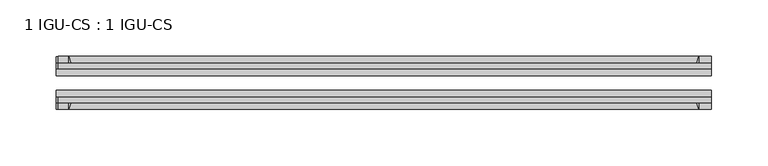
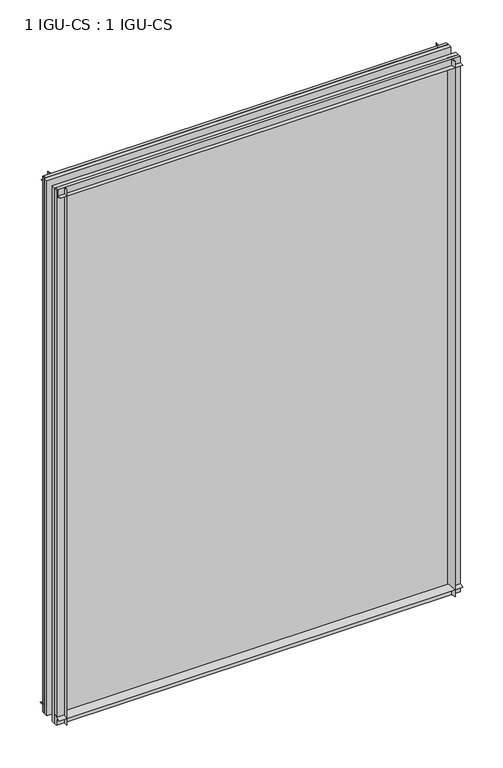
"""IFC4 building model written with IfcOpenShell, lengths in millimetres: plate geometry, 1 IGU-CS : 1 IGU-CS."""

from ifc_helpers import new_model, si_unit, point, frame, frame_2d, origin, place, context, project, spatial, polyline, circle_curve, trimmed, segment, composite_curve, outline, extrude, source, transform, mapped, element, save


def plate_1_igu_cs_1_igu_cs_40d52250(model_context):
    return source(origin(), model_context, "Body", "SweptSolid", [
        extrude(outline(composite_curve([segment(polyline([(-44.45, 790.6458595), (-44.45, 804.06875), (-39.6748, 804.06875), (-39.6748, 794.54375), (-33.7058, 794.54375)]), True, "CONTINUOUS"), segment(trimmed(circle_curve(frame_2d((-28.0741797, 762.2639961)), 32.7673262), [point((-33.7058, 794.54375))], [point((-44.45, 790.6458595))], True, "CARTESIAN"), True, "CONTINUOUS")], self_intersect=False)), frame((-288.7267777, 0.0, 0.0), z_axis=(1.0, 0.0, 0.0), x_axis=(0.0, 1.0, 0.0)), (0.0, 0.0, 1.0), 579.2388808),
        extrude(outline(composite_curve([segment(trimmed(circle_curve(frame_2d((-86.2258203, 762.2639961)), 32.7673262), [point((-69.85, 790.6458595))], [point((-80.5942, 794.54375))], True, "CARTESIAN"), True, "CONTINUOUS"), segment(polyline([(-80.5942, 794.54375), (-74.6252, 794.54375), (-74.6252, 804.06875), (-69.85, 804.06875), (-69.85, 790.6458595)]), True, "CONTINUOUS")], self_intersect=False)), frame((-288.7267777, 0.0, 0.0), z_axis=(1.0, 0.0, 0.0), x_axis=(0.0, 1.0, 0.0)), (0.0, 0.0, 1.0), 579.2388808),
        extrude(outline(composite_curve([segment(trimmed(circle_curve(frame_2d((-28.0741797, 32.2797688)), 32.7673262), [point((-44.45, 3.8979053))], [point((-33.7058, 1.48e-05))], True, "CARTESIAN"), True, "CONTINUOUS"), segment(polyline([(-33.7058, 1.48e-05), (-39.6748, 1.48e-05), (-39.6748, -10.31875), (-44.45, -10.31875), (-44.45, 3.8979053)]), True, "CONTINUOUS")], self_intersect=False)), frame((-290.5121031, 0.0, 0.0), z_axis=(1.0, 0.0, 0.0), x_axis=(0.0, 1.0, 0.0)), (0.0, 0.0, 1.0), 581.0242062),
        extrude(outline(composite_curve([segment(trimmed(circle_curve(frame_2d((-86.2258203, 32.2797602)), 32.7673262), [point((-80.5942354, 0.0))], [point((-69.85, 3.8978967))], True, "CARTESIAN"), True, "CONTINUOUS"), segment(polyline([(-69.85, 3.8978967), (-69.85, -10.31875), (-74.6252, -10.31875), (-74.6252, 0.0), (-80.5942354, 0.0)]), True, "CONTINUOUS")], self_intersect=False)), frame((-290.5121031, 0.0, 0.0), z_axis=(1.0, 0.0, 0.0), x_axis=(0.0, 1.0, 0.0)), (0.0, 0.0, 1.0), 581.0242062),
        extrude(outline(composite_curve([segment(polyline([(290.5121031, -39.6748), (290.5121031, -44.45), (275.5017126, -44.45)]), True, "CONTINUOUS"), segment(trimmed(circle_curve(frame_2d((247.1198492, -28.0741797)), 32.7673262), [point((275.5017126, -44.45))], [point((279.3996031, -33.7058))], True, "CARTESIAN"), True, "CONTINUOUS"), segment(polyline([(279.3996031, -33.7058), (279.3996031, -39.6748), (290.5121031, -39.6748)]), True, "CONTINUOUS")], self_intersect=False)), frame((0.0, 0.0, -10.31875), z_axis=(0.0, 0.0, 1.0), x_axis=(1.0, 0.0, 0.0)), (0.0, 0.0, 1.0), 814.3875),
        extrude(outline(composite_curve([segment(polyline([(290.5121031, -69.85), (290.5121031, -74.6252), (279.3996031, -74.6252), (279.3996031, -80.5942)]), True, "CONTINUOUS"), segment(trimmed(circle_curve(frame_2d((247.1198492, -86.2258203)), 32.7673262), [point((279.3996031, -80.5942))], [point((275.5017126, -69.85))], True, "CARTESIAN"), True, "CONTINUOUS"), segment(polyline([(275.5017126, -69.85), (290.5121031, -69.85)]), True, "CONTINUOUS")], self_intersect=False)), frame((0.0, 0.0, -10.31875), z_axis=(0.0, 0.0, 1.0), x_axis=(1.0, 0.0, 0.0)), (0.0, 0.0, 1.0), 814.3875),
        extrude(outline(composite_curve([segment(polyline([(-290.5121031, -39.6748), (-279.3996031, -39.6748), (-279.3996031, -33.7058)]), True, "CONTINUOUS"), segment(trimmed(circle_curve(frame_2d((-247.1198492, -28.0741797)), 32.7673262), [point((-279.3996031, -33.7058))], [point((-275.5017126, -44.45))], True, "CARTESIAN"), True, "CONTINUOUS"), segment(polyline([(-275.5017126, -44.45), (-290.5121031, -44.45), (-290.5121031, -39.6748)]), True, "CONTINUOUS")], self_intersect=False)), frame((0.0, 0.0, -10.31875), z_axis=(0.0, 0.0, 1.0), x_axis=(1.0, 0.0, 0.0)), (0.0, 0.0, 1.0), 814.3875),
        extrude(outline(composite_curve([segment(polyline([(-290.5121031, -74.6252), (-290.5121031, -69.85), (-275.5017126, -69.85)]), True, "CONTINUOUS"), segment(trimmed(circle_curve(frame_2d((-247.1198492, -86.2258203)), 32.7673262), [point((-275.5017126, -69.85))], [point((-279.3996031, -80.5942))], True, "CARTESIAN"), True, "CONTINUOUS"), segment(polyline([(-279.3996031, -80.5942), (-279.3996031, -74.6252), (-290.5121031, -74.6252)]), True, "CONTINUOUS")], self_intersect=False)), frame((0.0, 0.0, -10.31875), z_axis=(0.0, 0.0, 1.0), x_axis=(1.0, 0.0, 0.0)), (0.0, 0.0, 1.0), 814.3875),
        extrude(outline(polyline([(-290.5121031, -69.85), (-290.5121031, -63.5508), (290.5121031, -63.5508), (290.5121031, -69.85), (-290.5121031, -69.85)])), frame((0.0, 0.0, -10.31875), z_axis=(0.0, 0.0, 1.0), x_axis=(1.0, 0.0, 0.0)), (0.0, 0.0, 1.0), 814.3875),
        extrude(outline(polyline([(290.5121031, -50.7492), (-290.5121031, -50.7492), (-290.5121031, -44.45), (290.5121031, -44.45), (290.5121031, -50.7492)])), frame((0.0, 0.0, -10.31875), z_axis=(0.0, 0.0, 1.0), x_axis=(1.0, 0.0, 0.0)), (0.0, 0.0, 1.0), 814.3875),
    ])


if __name__ == "__main__":
    model = new_model("IFC4")
    model_context = context("Model", 3, world=origin())
    ifc_project = project(units=[si_unit("LENGTHUNIT", "METRE", prefix="MILLI")], contexts=[model_context])
    site = spatial("IfcSite", under=ifc_project)
    building = spatial("IfcBuilding", under=site)
    placement = place(None, origin())
    plate_1_igu_cs_1_igu_cs_shape = plate_1_igu_cs_1_igu_cs_40d52250(model_context)
    element("IfcPlate", 1, ObjectType="1 IGU-CS : 1 IGU-CS", at=placement, inside=building, context=model_context, shape_type="MappedRepresentation", body=[
        mapped(plate_1_igu_cs_1_igu_cs_shape, transform((0.0, 0.0, 0.0), x_axis=(1.0, 0.0, 0.0), y_axis=(0.0, 1.0, 0.0), z_axis=(0.0, 0.0, 1.0))),
    ])
    save(model, "model.ifc")
